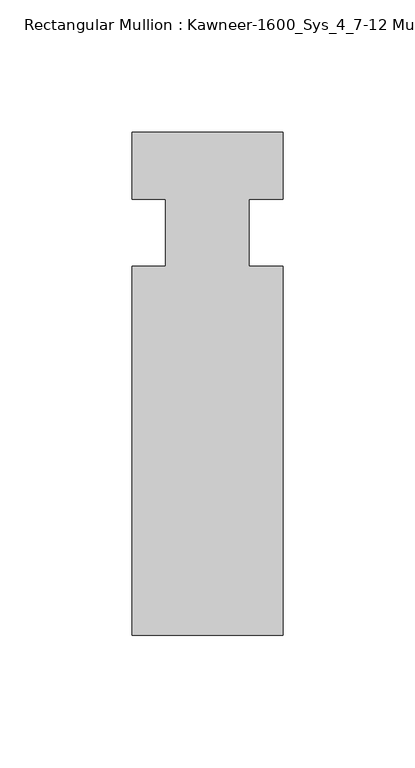
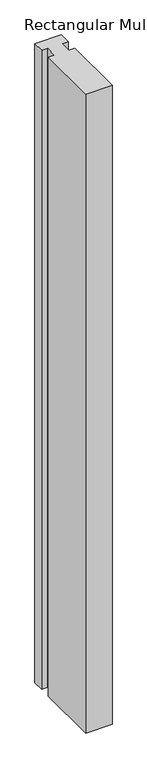
"""IFC4 building model written with IfcOpenShell, lengths in millimetres: member geometry, Rectangular Mullion : Kawneer-1600_Sys_4_7-12 Mullion_Vertical."""

from ifc_helpers import new_model, si_unit, frame, origin, place, context, project, spatial, polyline, outline, extrude, source, transform, mapped, element, save


def rectangular_mullion_kawneer_1600_sys_4_7_12_mullion_vertical_56c4da33(model_context):
    return source(origin(), model_context, "Body", "SweptSolid", [
        extrude(outline(polyline([(32.9094027, -152.4), (-24.2405973, -152.4), (-24.2405973, -12.7), (-11.5405973, -12.7), (-11.5405973, 12.7), (-24.2405973, 12.7), (-24.2405973, 38.1), (32.9094027, 38.1), (32.9094027, 12.7), (20.2076322, 12.7), (20.2076322, -12.7), (32.9094027, -12.7), (32.9094027, -152.4)])), frame((0.0, 0.0, -1463.04), z_axis=(0.0, 0.0, 1.0), x_axis=(1.0, 0.0, 0.0)), (0.0, 0.0, 1.0), 1463.04),
    ])


if __name__ == "__main__":
    model = new_model("IFC4")
    model_context = context("Model", 3, world=origin())
    ifc_project = project(units=[si_unit("LENGTHUNIT", "METRE", prefix="MILLI")], contexts=[model_context])
    site = spatial("IfcSite", under=ifc_project)
    building = spatial("IfcBuilding", under=site)
    placement = place(None, origin())
    rectangular_mullion_kawneer_1600_sys_4_7_12_mullion_vertical_shape = rectangular_mullion_kawneer_1600_sys_4_7_12_mullion_vertical_56c4da33(model_context)
    element("IfcMember", 1, ObjectType="Rectangular Mullion : Kawneer-1600_Sys_4_7-12 Mullion_Vertical", at=placement, inside=building, context=model_context, shape_type="MappedRepresentation", body=[
        mapped(rectangular_mullion_kawneer_1600_sys_4_7_12_mullion_vertical_shape, transform((0.0, 0.0, 0.0), x_axis=(1.0, 0.0, 0.0), y_axis=(0.0, 1.0, 0.0), z_axis=(0.0, 0.0, 1.0))),
    ])
    save(model, "model.ifc")
